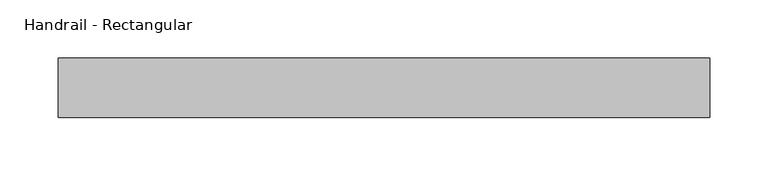
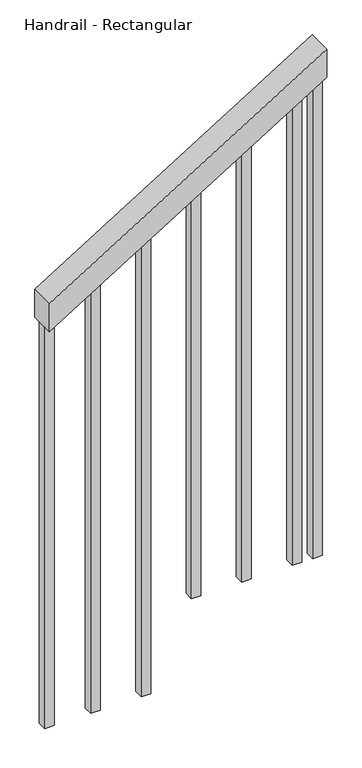
"""IFC4 building model written with IfcOpenShell, lengths in millimetres: railing geometry, Handrail - Rectangular."""

from ifc_helpers import new_model, si_unit, frame, origin, place, context, project, spatial, polyline, outline, extrude, source, transform, mapped, element, save


def handrail_rectangular_1dc3e014(model_context):
    return source(origin(), model_context, "Body", "SweptSolid", [
        extrude(outline(polyline([(1087.5578947, -7464.8197666), (1027.7930618, -7464.8197666), (1374.1088513, -6906.0197666), (1433.8736842, -6906.0197666), (1087.5578947, -7464.8197666)])), frame((0.0, -3778.7025722, 0.0), z_axis=(0.0, 1.0, 0.0), x_axis=(0.0, 0.0, 1.0)), (0.0, 0.0, 1.0), 50.8),
        extrude(outline(polyline([(1348.5287077, -6947.2947666), (1336.7224876, -6966.3447666), (346.3157895, -6966.3447666), (346.3157895, -6947.2947666), (1348.5287077, -6947.2947666)])), frame((0.0, -3762.8275722, 0.0), z_axis=(0.0, 1.0, 0.0), x_axis=(0.0, 0.0, 1.0)), (0.0, 0.0, 1.0), 19.05),
        extrude(outline(polyline([(1285.5622006, -7048.8947666), (1273.7559805, -7067.9447666), (346.3157895, -7067.9447666), (346.3157895, -7048.8947666), (1285.5622006, -7048.8947666)])), frame((0.0, -3762.8275722, 0.0), z_axis=(0.0, 1.0, 0.0), x_axis=(0.0, 0.0, 1.0)), (0.0, 0.0, 1.0), 19.05),
        extrude(outline(polyline([(1222.5956934, -7150.4947666), (1210.7894733, -7169.5447666), (346.3157895, -7169.5447666), (346.3157895, -7150.4947666), (1222.5956934, -7150.4947666)])), frame((0.0, -3762.8275722, 0.0), z_axis=(0.0, 1.0, 0.0), x_axis=(0.0, 0.0, 1.0)), (0.0, 0.0, 1.0), 19.05),
        extrude(outline(polyline([(1159.6291862, -7252.0947666), (1147.8229661, -7271.1447666), (173.1578947, -7271.1447666), (173.1578947, -7252.0947666), (1159.6291862, -7252.0947666)])), frame((0.0, -3762.8275722, 0.0), z_axis=(0.0, 1.0, 0.0), x_axis=(0.0, 0.0, 1.0)), (0.0, 0.0, 1.0), 19.05),
        extrude(outline(polyline([(1096.662679, -7353.6947666), (1084.8564589, -7372.7447666), (173.1578947, -7372.7447666), (173.1578947, -7353.6947666), (1096.662679, -7353.6947666)])), frame((0.0, -3762.8275722, 0.0), z_axis=(0.0, 1.0, 0.0), x_axis=(0.0, 0.0, 1.0)), (0.0, 0.0, 1.0), 19.05),
        extrude(outline(polyline([(1374.1088513, -6906.0197666), (1362.3026312, -6925.0697666), (346.3157895, -6925.0697666), (346.3157895, -6906.0197666), (1374.1088513, -6906.0197666)])), frame((0.0, -3762.8275722, 0.0), z_axis=(0.0, 1.0, 0.0), x_axis=(0.0, 0.0, 1.0)), (0.0, 0.0, 1.0), 19.05),
        extrude(outline(polyline([(1039.5992819, -7445.7697666), (1027.7930618, -7464.8197666), (173.1578947, -7464.8197666), (173.1578947, -7445.7697666), (1039.5992819, -7445.7697666)])), frame((0.0, -3762.8275722, 0.0), z_axis=(0.0, 1.0, 0.0), x_axis=(0.0, 0.0, 1.0)), (0.0, 0.0, 1.0), 19.05),
    ])


if __name__ == "__main__":
    model = new_model("IFC4")
    model_context = context("Model", 3, world=origin())
    ifc_project = project(units=[si_unit("LENGTHUNIT", "METRE", prefix="MILLI")], contexts=[model_context])
    site = spatial("IfcSite", under=ifc_project)
    building = spatial("IfcBuilding", under=site)
    placement = place(None, origin())
    handrail_rectangular_shape = handrail_rectangular_1dc3e014(model_context)
    element("IfcRailing", 1, ObjectType="Handrail - Rectangular", at=placement, inside=building, context=model_context, shape_type="MappedRepresentation", body=[
        mapped(handrail_rectangular_shape, transform((0.0, 0.0, 0.0), x_axis=(1.0, 0.0, 0.0), y_axis=(0.0, 1.0, 0.0), z_axis=(0.0, 0.0, 1.0))),
    ])
    save(model, "model.ifc")
